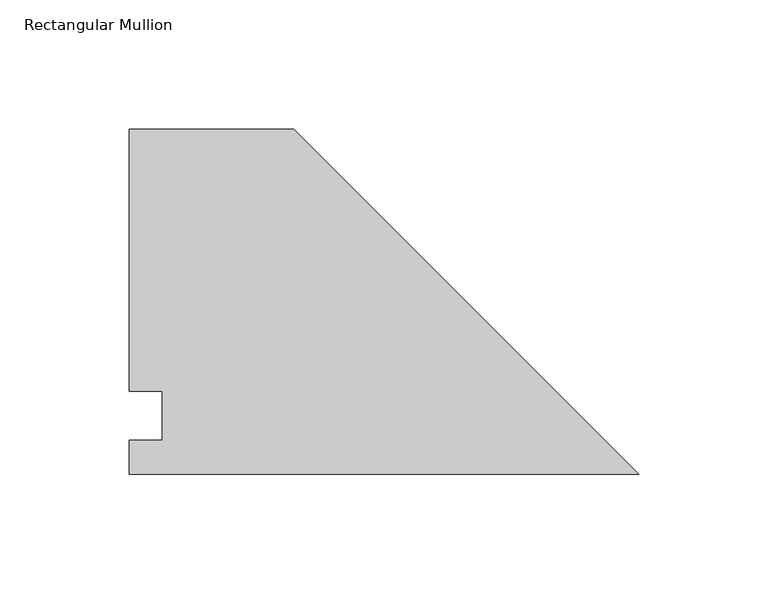
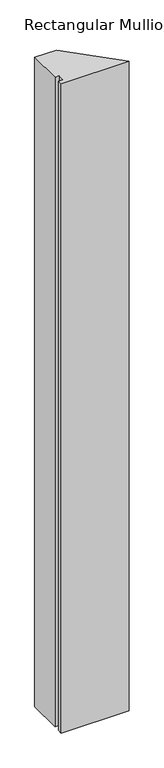
"""IFC4 building model written with IfcOpenShell, lengths in millimetres: member geometry, Rectangular Mullion."""

from ifc_helpers import new_model, si_unit, frame, origin, place, context, project, spatial, polyline, outline, extrude, source, transform, mapped, element, save


def rectangular_mullion_d672577f(model_context):
    return source(origin(), model_context, "Body", "SweptSolid", [
        extrude(outline(polyline([(-133.4262, 133.4396937), (0.0, 0.0134937), (-196.9262, 0.0134937), (-196.9262, 13.1960937), (-184.2262, 13.1960937), (-184.2262, 32.2460937), (-196.9262, 32.2460938), (-196.9262, 133.4396937), (-133.4262, 133.4396937)])), frame((0.0, 0.0, -1993.9), z_axis=(0.0, 0.0, 1.0), x_axis=(1.0, 0.0, 0.0)), (0.0, 0.0, 1.0), 1993.9),
    ])


if __name__ == "__main__":
    model = new_model("IFC4")
    model_context = context("Model", 3, world=origin())
    ifc_project = project(units=[si_unit("LENGTHUNIT", "METRE", prefix="MILLI")], contexts=[model_context])
    site = spatial("IfcSite", under=ifc_project)
    building = spatial("IfcBuilding", under=site)
    placement = place(None, origin())
    rectangular_mullion_shape = rectangular_mullion_d672577f(model_context)
    element("IfcMember", 1, ObjectType="Rectangular Mullion", at=placement, inside=building, context=model_context, shape_type="MappedRepresentation", body=[
        mapped(rectangular_mullion_shape, transform((0.0, 0.0, 0.0), x_axis=(1.0, 0.0, 0.0), y_axis=(0.0, 1.0, 0.0), z_axis=(0.0, 0.0, 1.0))),
    ])
    save(model, "model.ifc")
